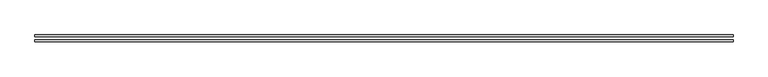
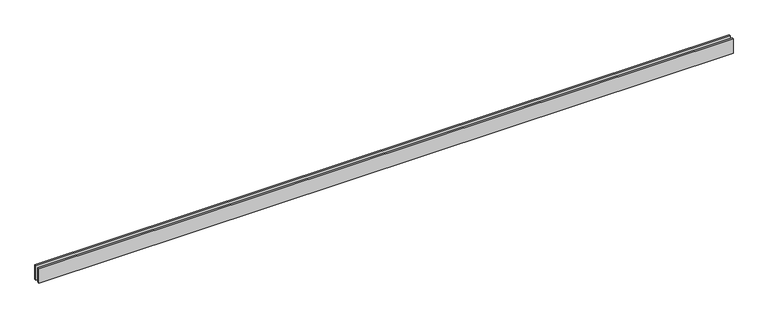
"""IFC4 building model written with IfcOpenShell, lengths in millimetres: proxy geometry."""

from ifc_helpers import new_model, si_unit, origin, origin_with_axes, place, context, project, spatial, polyline, outline, extrude, source, transform, mapped, element, save


def generic_models_33156af5(model_context):
    return source(origin(), model_context, "Body", "SweptSolid", [
        extrude(outline(polyline([(11424.2640687, 25.0), (0.0, 25.0), (0.0, 55.0), (11424.2640687, 55.0), (11424.2640687, 25.0)])), origin_with_axes(), (0.0, 0.0, 1.0), 250.0),
        extrude(outline(polyline([(11424.2640687, -55.0), (0.0, -55.0), (0.0, -25.0), (11424.2640687, -25.0), (11424.2640687, -55.0)])), origin_with_axes(), (0.0, 0.0, 1.0), 250.0),
    ])


if __name__ == "__main__":
    model = new_model("IFC4")
    model_context = context("Model", 3, world=origin())
    ifc_project = project(units=[si_unit("LENGTHUNIT", "METRE", prefix="MILLI")], contexts=[model_context])
    site = spatial("IfcSite", under=ifc_project)
    building = spatial("IfcBuilding", under=site)
    placement = place(None, origin())
    generic_models_shape = generic_models_33156af5(model_context)
    element("IfcBuildingElementProxy", 1, Name="Generic Models", at=placement, inside=building, context=model_context, shape_type="MappedRepresentation", body=[
        mapped(generic_models_shape, transform((0.0, 0.0, 0.0), x_axis=(1.0, 0.0, 0.0), y_axis=(0.0, 1.0, 0.0), z_axis=(0.0, 0.0, 1.0))),
    ])
    save(model, "model.ifc")
